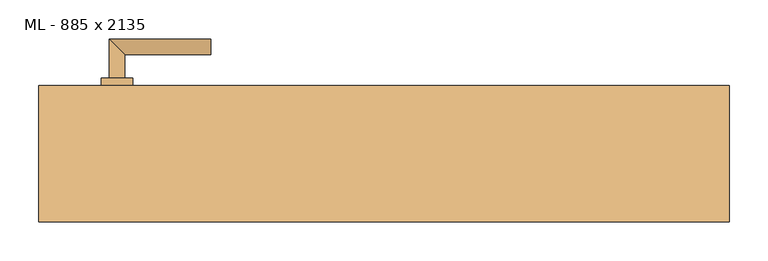
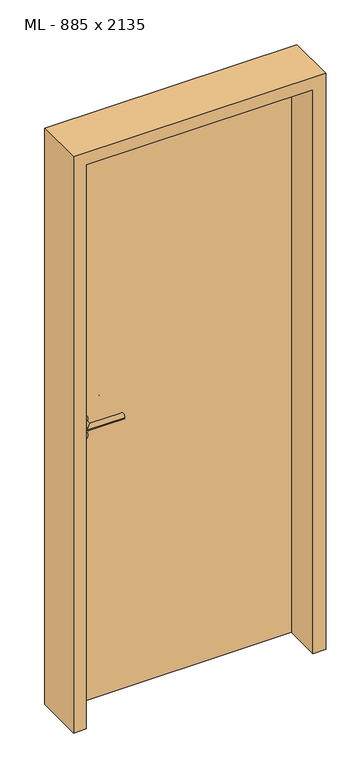
"""IFC4 building model written with IfcOpenShell, lengths in millimetres: door geometry, ML - 885 x 2135."""

from ifc_helpers import new_model, si_unit, point, frame, frame_2d, origin, origin_with_axes, place, context, project, spatial, polyline, circle_curve, ellipse_curve, trimmed, segment, composite_curve, outline, extrude, faceted_brep, source, transform, mapped, element, save
from ifc_brep_helpers import plane_surface, cylinder_surface, advanced_brep


def ml_885_x_2135_f7b83896(model_context):
    return source(origin(), model_context, "Body", "SolidModel", [
        extrude(outline(polyline([(408.5, 87.5), (408.5, 42.5), (-408.5, 42.5), (-408.5, 87.5), (408.5, 87.5)])), origin_with_axes(), (0.0, 0.0, 1.0), 2101.0),
        advanced_brep(
        [(-332.5, 97.5, 1050.0), (-352.5, 97.5, 1050.0), (-332.5, 127.5, 1050.0), (-352.5, 147.5, 1050.0), (-222.5, 127.5, 1050.0), (-222.5, 147.5, 1050.0)],
        [
            (0, 1, circle_curve(frame((-342.5, 97.5, 1050.0), z_axis=(0.0, -1.0, 0.0), x_axis=(-1.0, 0.0, 0.0)), 10.0)),
            (1, 0, circle_curve(frame((-342.5, 97.5, 1050.0), z_axis=(0.0, -1.0, 0.0), x_axis=(-1.0, 0.0, 0.0)), 10.0)),
            (0, 2),
            (2, 3, ellipse_curve(frame((-342.5, 137.5, 1050.0), z_axis=(-0.7071067811865531, -0.7071067811865419, 0.0), x_axis=(0.707106781186542, -0.707106781186553, 0.0)), 14.1421356, 10.0)),
            (3, 1),
            (3, 2, ellipse_curve(frame((-342.5, 137.5, 1050.0), z_axis=(-0.7071067811865531, -0.7071067811865419, 0.0), x_axis=(0.707106781186542, -0.707106781186553, 0.0)), 14.1421356, 10.0)),
            (4, 5, circle_curve(frame((-222.5, 137.5, 1050.0), z_axis=(1.0, 0.0, 0.0), x_axis=(0.0, 1.0, 0.0)), 10.0)),
            (5, 4, circle_curve(frame((-222.5, 137.5, 1050.0), z_axis=(1.0, 0.0, 0.0), x_axis=(0.0, 1.0, 0.0)), 10.0)),
            (2, 4),
            (5, 3),
        ],
        [
            plane_surface(frame((-342.5, 97.5, 1050.0), z_axis=(0.0, -1.0, 0.0), x_axis=(0.0, 0.0, 1.0))),
            cylinder_surface(frame((-342.5, 97.5, 1050.0), z_axis=(0.0, -1.0, 0.0), x_axis=(-1.0, 0.0, 0.0)), 10.0),
            plane_surface(frame((-222.5, 137.5, 1050.0), z_axis=(1.0, 0.0, 0.0), x_axis=(0.0, 0.0, 1.0))),
            cylinder_surface(frame((-342.5, 137.5, 1050.0), z_axis=(-1.0, 0.0, 0.0), x_axis=(0.0, 1.0, 0.0)), 10.0),
        ],
        [
            (0, [[1, 2]]),
            (1, [[-1, 3, 4, 5]]),
            (1, [[-2, -5, 6, -3]]),
            (2, [[7, 8]]),
            (3, [[-4, 9, -8, 10]]),
            (3, [[-6, -10, -7, -9]]),
        ],
    ),
        extrude(outline(composite_curve([segment(trimmed(circle_curve(frame_2d((990.0, -342.5)), 20.0), [point((990.0, -362.5))], [point((990.0, -322.5))], False, "CARTESIAN"), True, "CONTINUOUS"), segment(trimmed(circle_curve(frame_2d((990.0, -342.5)), 20.0), [point((990.0, -322.5))], [point((990.0, -362.5))], False, "CARTESIAN"), True, "CONTINUOUS")], self_intersect=False), holes=[composite_curve([segment(polyline([(976.4601385, -344.897268), (988.4749012, -344.897268)]), True, "CONTINUOUS"), segment(trimmed(circle_curve(frame_2d((995.0361633, -342.5)), 6.9854888), [point((988.4749012, -344.897268))], [point((988.4749012, -340.102732))], True, "CARTESIAN"), True, "CONTINUOUS"), segment(polyline([(988.4749012, -340.102732), (976.4601385, -340.102732)]), True, "CONTINUOUS"), segment(trimmed(circle_curve(frame_2d((976.4601385, -342.5)), 2.397268), [point((976.4601385, -340.102732))], [point((976.4601385, -344.897268))], True, "CARTESIAN"), True, "CONTINUOUS")], self_intersect=False)]), frame((0.0, 87.5, 0.0), z_axis=(0.0, 1.0, 0.0), x_axis=(0.0, 0.0, 1.0)), (0.0, 0.0, 1.0), 10.0),
        advanced_brep(
        [(-332.5, 97.5, 1050.0), (-352.5, 97.5, 1050.0), (-332.5, 127.5, 1050.0), (-352.5, 147.5, 1050.0), (-222.5, 127.5, 1050.0), (-222.5, 147.5, 1050.0)],
        [
            (0, 1, circle_curve(frame((-342.5, 97.5, 1050.0), z_axis=(0.0, -1.0, 0.0), x_axis=(-1.0, 0.0, 0.0)), 10.0)),
            (1, 0, circle_curve(frame((-342.5, 97.5, 1050.0), z_axis=(0.0, -1.0, 0.0), x_axis=(-1.0, 0.0, 0.0)), 10.0)),
            (0, 2),
            (2, 3, ellipse_curve(frame((-342.5, 137.5, 1050.0), z_axis=(-0.7071067811865537, -0.7071067811865414, 0.0), x_axis=(0.7071067811865414, -0.7071067811865536, 0.0)), 14.1421356, 10.0)),
            (3, 1),
            (3, 2, ellipse_curve(frame((-342.5, 137.5, 1050.0), z_axis=(-0.7071067811865537, -0.7071067811865414, 0.0), x_axis=(0.7071067811865414, -0.7071067811865536, 0.0)), 14.1421356, 10.0)),
            (4, 5, circle_curve(frame((-222.5, 137.5, 1050.0), z_axis=(1.0, 0.0, 0.0), x_axis=(0.0, 1.0, 0.0)), 10.0)),
            (5, 4, circle_curve(frame((-222.5, 137.5, 1050.0), z_axis=(1.0, 0.0, 0.0), x_axis=(0.0, 1.0, 0.0)), 10.0)),
            (2, 4),
            (5, 3),
        ],
        [
            plane_surface(frame((-342.5, 97.5, 1050.0), z_axis=(0.0, -1.0, 0.0), x_axis=(0.0, 0.0, 1.0))),
            cylinder_surface(frame((-342.5, 97.5, 1050.0), z_axis=(0.0, -1.0, 0.0), x_axis=(-1.0, 0.0, 0.0)), 10.0),
            plane_surface(frame((-222.5, 137.5, 1050.0), z_axis=(1.0, 0.0, 0.0), x_axis=(0.0, 0.0, 1.0))),
            cylinder_surface(frame((-342.5, 137.5, 1050.0), z_axis=(-1.0, 0.0, 0.0), x_axis=(0.0, 1.0, 0.0)), 10.0),
        ],
        [
            (0, [[1, 2]]),
            (1, [[-1, 3, 4, 5]]),
            (1, [[-2, -5, 6, -3]]),
            (2, [[7, 8]]),
            (3, [[-4, 9, -8, 10]]),
            (3, [[-6, -10, -7, -9]]),
        ],
    ),
        extrude(outline(composite_curve([segment(trimmed(circle_curve(frame_2d((1050.0, -342.5)), 20.0), [point((1050.0, -362.5))], [point((1050.0, -322.5))], False, "CARTESIAN"), True, "CONTINUOUS"), segment(trimmed(circle_curve(frame_2d((1050.0, -342.5)), 20.0), [point((1050.0, -322.5))], [point((1050.0, -362.5))], False, "CARTESIAN"), True, "CONTINUOUS")], self_intersect=False)), frame((0.0, 87.5, 0.0), z_axis=(0.0, 1.0, 0.0), x_axis=(0.0, 0.0, 1.0)), (0.0, 0.0, 1.0), 10.0),
        advanced_brep(
        [(-332.5, 32.5, 1050.0), (-352.5, 32.5, 1050.0), (-352.5, -17.5, 1050.0), (-332.5, 2.5, 1050.0), (-222.5, 2.5, 1050.0), (-222.5, -17.5, 1050.0)],
        [
            (0, 1, circle_curve(frame((-342.5, 32.5, 1050.0), z_axis=(0.0, 1.0, 0.0), x_axis=(-1.0, 0.0, 0.0)), 10.0)),
            (1, 0, circle_curve(frame((-342.5, 32.5, 1050.0), z_axis=(0.0, 1.0, 0.0), x_axis=(-1.0, 0.0, 0.0)), 10.0)),
            (1, 2),
            (2, 3, ellipse_curve(frame((-342.5, -7.5, 1050.0), z_axis=(-0.7071067811865486, 0.7071067811865464, 0.0), x_axis=(0.7071067811865464, 0.7071067811865488, 0.0)), 14.1421356, 10.0)),
            (3, 0),
            (3, 2, ellipse_curve(frame((-342.5, -7.5, 1050.0), z_axis=(-0.7071067811865486, 0.7071067811865464, 0.0), x_axis=(0.7071067811865464, 0.7071067811865488, 0.0)), 14.1421356, 10.0)),
            (4, 5, circle_curve(frame((-222.5, -7.5, 1050.0), z_axis=(1.0, 0.0, 0.0), x_axis=(0.0, -1.0, 0.0)), 10.0)),
            (5, 4, circle_curve(frame((-222.5, -7.5, 1050.0), z_axis=(1.0, 0.0, 0.0), x_axis=(0.0, -1.0, 0.0)), 10.0)),
            (2, 5),
            (4, 3),
        ],
        [
            plane_surface(frame((-342.5, 32.5, 1050.0), z_axis=(0.0, 1.0, 0.0), x_axis=(0.0, 0.0, 1.0))),
            cylinder_surface(frame((-342.5, 32.5, 1050.0), z_axis=(0.0, 1.0, 0.0), x_axis=(-1.0, 0.0, 0.0)), 10.0),
            plane_surface(frame((-222.5, -7.5, 1050.0), z_axis=(1.0, 0.0, 0.0), x_axis=(0.0, 0.0, 1.0))),
            cylinder_surface(frame((-342.5, -7.5, 1050.0), z_axis=(-1.0, 0.0, 0.0), x_axis=(0.0, -1.0, 0.0)), 10.0),
        ],
        [
            (0, [[1, 2]]),
            (1, [[3, 4, 5, -2]]),
            (1, [[-5, 6, -3, -1]]),
            (2, [[7, 8]]),
            (3, [[9, -7, 10, -4]]),
            (3, [[-10, -8, -9, -6]]),
        ],
    ),
        extrude(outline(composite_curve([segment(trimmed(circle_curve(frame_2d((990.0, -342.5)), 20.0), [point((990.0, -362.5))], [point((990.0, -322.5))], False, "CARTESIAN"), True, "CONTINUOUS"), segment(trimmed(circle_curve(frame_2d((990.0, -342.5)), 20.0), [point((990.0, -322.5))], [point((990.0, -362.5))], False, "CARTESIAN"), True, "CONTINUOUS")], self_intersect=False), holes=[composite_curve([segment(polyline([(976.4601385, -344.897268), (988.4749012, -344.897268)]), True, "CONTINUOUS"), segment(trimmed(circle_curve(frame_2d((995.0361633, -342.5)), 6.9854888), [point((988.4749012, -344.897268))], [point((988.4749012, -340.102732))], True, "CARTESIAN"), True, "CONTINUOUS"), segment(polyline([(988.4749012, -340.102732), (976.4601385, -340.102732)]), True, "CONTINUOUS"), segment(trimmed(circle_curve(frame_2d((976.4601385, -342.5)), 2.397268), [point((976.4601385, -340.102732))], [point((976.4601385, -344.897268))], True, "CARTESIAN"), True, "CONTINUOUS")], self_intersect=False)]), frame((0.0, 32.5, 0.0), z_axis=(0.0, 1.0, 0.0), x_axis=(0.0, 0.0, 1.0)), (0.0, 0.0, 1.0), 10.0),
        advanced_brep(
        [(-332.5, 32.5, 1050.0), (-352.5, 32.5, 1050.0), (-352.5, -17.5, 1050.0), (-332.5, 2.5, 1050.0), (-222.5, 2.5, 1050.0), (-222.5, -17.5, 1050.0)],
        [
            (0, 1, circle_curve(frame((-342.5, 32.5, 1050.0), z_axis=(0.0, 1.0, 0.0), x_axis=(-1.0, 0.0, 0.0)), 10.0)),
            (1, 0, circle_curve(frame((-342.5, 32.5, 1050.0), z_axis=(0.0, 1.0, 0.0), x_axis=(-1.0, 0.0, 0.0)), 10.0)),
            (1, 2),
            (2, 3, ellipse_curve(frame((-342.5, -7.5, 1050.0), z_axis=(-0.7071067811865491, 0.7071067811865459, 0.0), x_axis=(0.7071067811865458, 0.7071067811865492, 0.0)), 14.1421356, 10.0)),
            (3, 0),
            (3, 2, ellipse_curve(frame((-342.5, -7.5, 1050.0), z_axis=(-0.7071067811865491, 0.7071067811865459, 0.0), x_axis=(0.7071067811865458, 0.7071067811865492, 0.0)), 14.1421356, 10.0)),
            (4, 5, circle_curve(frame((-222.5, -7.5, 1050.0), z_axis=(1.0, 0.0, 0.0), x_axis=(0.0, -1.0, 0.0)), 10.0)),
            (5, 4, circle_curve(frame((-222.5, -7.5, 1050.0), z_axis=(1.0, 0.0, 0.0), x_axis=(0.0, -1.0, 0.0)), 10.0)),
            (2, 5),
            (4, 3),
        ],
        [
            plane_surface(frame((-342.5, 32.5, 1050.0), z_axis=(0.0, 1.0, 0.0), x_axis=(0.0, 0.0, 1.0))),
            cylinder_surface(frame((-342.5, 32.5, 1050.0), z_axis=(0.0, 1.0, 0.0), x_axis=(-1.0, 0.0, 0.0)), 10.0),
            plane_surface(frame((-222.5, -7.5, 1050.0), z_axis=(1.0, 0.0, 0.0), x_axis=(0.0, 0.0, 1.0))),
            cylinder_surface(frame((-342.5, -7.5, 1050.0), z_axis=(-1.0, 0.0, 0.0), x_axis=(0.0, -1.0, 0.0)), 10.0),
        ],
        [
            (0, [[1, 2]]),
            (1, [[3, 4, 5, -2]]),
            (1, [[-5, 6, -3, -1]]),
            (2, [[7, 8]]),
            (3, [[9, -7, 10, -4]]),
            (3, [[-10, -8, -9, -6]]),
        ],
    ),
        extrude(outline(composite_curve([segment(trimmed(circle_curve(frame_2d((1050.0, -342.5)), 20.0), [point((1050.0, -362.5))], [point((1050.0, -322.5))], False, "CARTESIAN"), True, "CONTINUOUS"), segment(trimmed(circle_curve(frame_2d((1050.0, -342.5)), 20.0), [point((1050.0, -322.5))], [point((1050.0, -362.5))], False, "CARTESIAN"), True, "CONTINUOUS")], self_intersect=False)), frame((0.0, 32.5, 0.0), z_axis=(0.0, 1.0, 0.0), x_axis=(0.0, 0.0, 1.0)), (0.0, 0.0, 1.0), 10.0),
        faceted_brep([(-412.5, 87.5, 0.0), (-412.5, 42.5, 0.0), (-397.5, 42.5, 0.0), (-397.5, -87.5, 0.0), (-442.5, -87.5, 0.0), (-442.5, 87.5, 0.0), (-412.5, 87.5, 2105.0), (-412.5, 42.5, 2105.0), (412.5, 42.5, 2105.0), (412.5, 42.5, 0.0), (397.5, 42.5, 0.0), (397.5, 42.5, 2090.0), (-397.5, 42.5, 2090.0), (-397.5, -87.5, 2090.0), (397.5, -87.5, 2090.0), (397.5, -87.5, 0.0), (442.5, -87.5, 0.0), (442.5, -87.5, 2135.0), (-442.5, -87.5, 2135.0), (-442.5, 87.5, 2135.0), (442.5, 87.5, 2135.0), (442.5, 87.5, 0.0), (412.5, 87.5, 0.0), (412.5, 87.5, 2105.0)], [[[0, 1, 2, 3, 4, 5]], [[1, 0, 6, 7]], [[2, 1, 7, 8, 9, 10, 11, 12]], [[3, 2, 12, 13]], [[4, 3, 13, 14, 15, 16, 17, 18]], [[5, 4, 18, 19]], [[0, 5, 19, 20, 21, 22, 23, 6]], [[20, 17, 16, 21]], [[22, 21, 16, 15, 10, 9]], [[8, 23, 22, 9]], [[14, 11, 10, 15]], [[19, 18, 17, 20]], [[13, 12, 11, 14]], [[7, 6, 23, 8]]]),
    ])


if __name__ == "__main__":
    model = new_model("IFC4")
    model_context = context("Model", 3, world=origin())
    ifc_project = project(units=[si_unit("LENGTHUNIT", "METRE", prefix="MILLI")], contexts=[model_context])
    site = spatial("IfcSite", under=ifc_project)
    building = spatial("IfcBuilding", under=site)
    placement = place(None, origin())
    ml_885_x_2135_shape = ml_885_x_2135_f7b83896(model_context)
    element("IfcDoor", 1, ObjectType="ML - 885 x 2135", at=placement, inside=building, context=model_context, shape_type="MappedRepresentation", body=[
        mapped(ml_885_x_2135_shape, transform((0.0, 0.0, 0.0), x_axis=(1.0, 0.0, 0.0), y_axis=(0.0, 1.0, 0.0), z_axis=(0.0, 0.0, 1.0))),
    ])
    save(model, "model.ifc")
